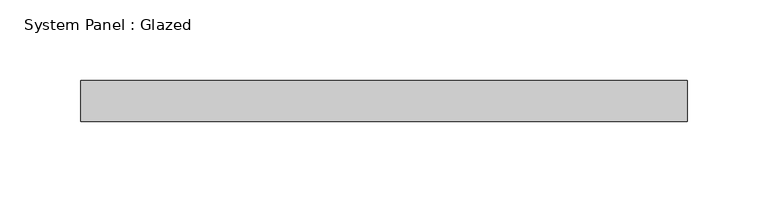
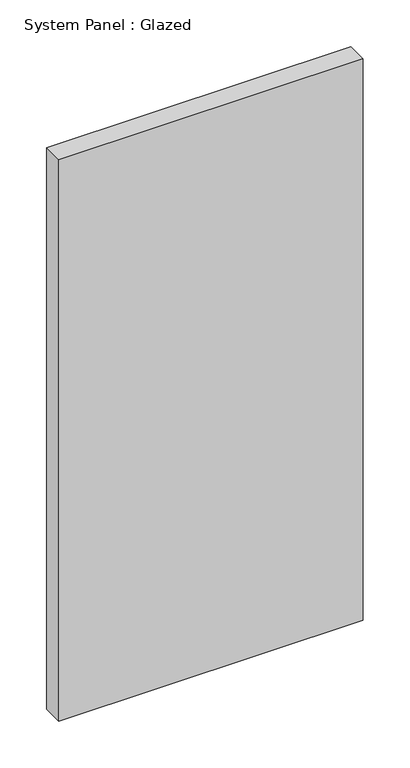
"""IFC4 building model written with IfcOpenShell, lengths in millimetres: plate geometry, System Panel : Glazed."""

from ifc_helpers import new_model, si_unit, origin, origin_with_axes, place, context, project, spatial, polyline, outline, extrude, source, transform, mapped, element, save


def system_panel_glazed_d86045b0(model_context):
    return source(origin(), model_context, "Body", "SweptSolid", [
        extrude(outline(polyline([(187.325, -12.7), (-187.325, -12.7), (-187.325, 12.7), (187.325, 12.7), (187.325, -12.7)])), origin_with_axes(), (0.0, 0.0, 1.0), 730.25),
    ])


if __name__ == "__main__":
    model = new_model("IFC4")
    model_context = context("Model", 3, world=origin())
    ifc_project = project(units=[si_unit("LENGTHUNIT", "METRE", prefix="MILLI")], contexts=[model_context])
    site = spatial("IfcSite", under=ifc_project)
    building = spatial("IfcBuilding", under=site)
    placement = place(None, origin())
    system_panel_glazed_shape = system_panel_glazed_d86045b0(model_context)
    element("IfcPlate", 1, ObjectType="System Panel : Glazed", at=placement, inside=building, context=model_context, shape_type="MappedRepresentation", body=[
        mapped(system_panel_glazed_shape, transform((0.0, 0.0, 0.0), x_axis=(1.0, 0.0, 0.0), y_axis=(0.0, 1.0, 0.0), z_axis=(0.0, 0.0, 1.0))),
    ])
    save(model, "model.ifc")
